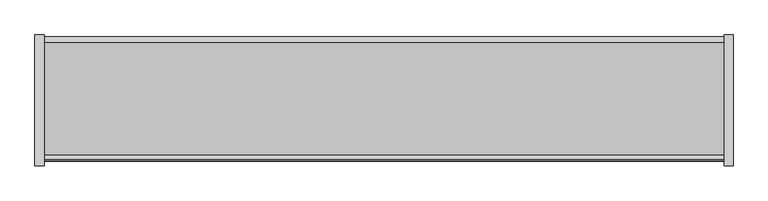
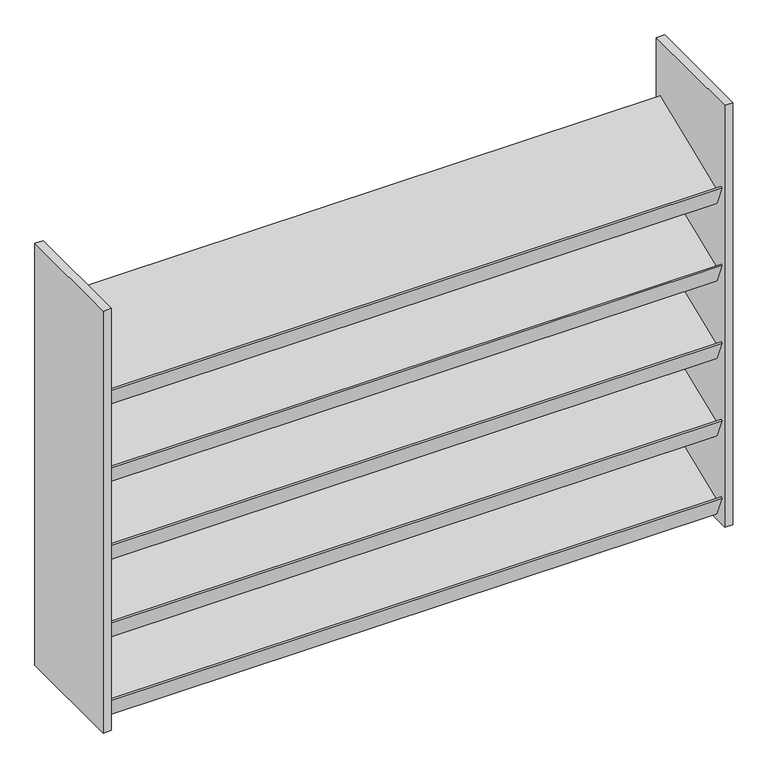
"""IFC4 building model written with IfcOpenShell, lengths in millimetres: furniture geometry."""

from ifc_helpers import new_model, si_unit, frame, origin, place, context, project, spatial, polyline, outline, extrude, source, transform, mapped, element, save


def furniture_bef4b4e4(model_context):
    return source(origin(), model_context, "Body", "SweptSolid", [
        extrude(outline(polyline([(-98.425, 1657.35), (-115.2836902, 1699.0767226), (-112.3398815, 1700.2660985), (-104.9961987, 1682.0898458), (92.2389867, 1761.7780334), (101.7539942, 1738.2275635), (-98.425, 1657.35)])), frame((-593.725, 0.0, 0.0), z_axis=(1.0, 0.0, 0.0), x_axis=(0.0, 1.0, 0.0)), (0.0, 0.0, 1.0), 1187.45),
        extrude(outline(polyline([(-98.425, 1816.1), (-115.2836902, 1857.8267226), (-112.3398815, 1859.0160985), (-104.9961987, 1840.8398458), (92.2389867, 1920.5280334), (101.7539942, 1896.9775635), (-98.425, 1816.1)])), frame((-593.725, 0.0, 0.0), z_axis=(1.0, 0.0, 0.0), x_axis=(0.0, 1.0, 0.0)), (0.0, 0.0, 1.0), 1187.45),
        extrude(outline(polyline([(-98.425, 1498.6), (-115.2836902, 1540.3267226), (-112.3398815, 1541.5160985), (-104.9961987, 1523.3398458), (92.2389867, 1603.0280334), (101.7539942, 1579.4775635), (-98.425, 1498.6)])), frame((-593.725, 0.0, 0.0), z_axis=(1.0, 0.0, 0.0), x_axis=(0.0, 1.0, 0.0)), (0.0, 0.0, 1.0), 1187.45),
        extrude(outline(polyline([(-98.425, 1339.85), (-115.2836902, 1381.5767226), (-112.3398815, 1382.7660985), (-104.9961987, 1364.5898458), (92.2389867, 1444.2780334), (101.7539942, 1420.7275635), (-98.425, 1339.85)])), frame((-593.725, 0.0, 0.0), z_axis=(1.0, 0.0, 0.0), x_axis=(0.0, 1.0, 0.0)), (0.0, 0.0, 1.0), 1187.45),
        extrude(outline(polyline([(-98.425, 1181.1), (-115.2836902, 1222.8267226), (-112.3398815, 1224.0160985), (-104.9961987, 1205.8398458), (92.2389867, 1285.5280334), (101.7539942, 1261.9775635), (-98.425, 1181.1)])), frame((-593.725, 0.0, 0.0), z_axis=(1.0, 0.0, 0.0), x_axis=(0.0, 1.0, 0.0)), (0.0, 0.0, 1.0), 1187.45),
        extrude(outline(polyline([(-593.725, 104.775), (-593.725, -123.825), (-609.6, -123.825), (-609.6, 104.775), (-593.725, 104.775)])), frame((0.0, 0.0, 1168.4), z_axis=(0.0, 0.0, 1.0), x_axis=(1.0, 0.0, 0.0)), (0.0, 0.0, 1.0), 863.6),
        extrude(outline(polyline([(609.6, 104.775), (609.6, -123.825), (593.725, -123.825), (593.725, 104.775), (609.6, 104.775)])), frame((0.0, 0.0, 1168.4), z_axis=(0.0, 0.0, 1.0), x_axis=(1.0, 0.0, 0.0)), (0.0, 0.0, 1.0), 863.6),
    ])


if __name__ == "__main__":
    model = new_model("IFC4")
    model_context = context("Model", 3, world=origin())
    ifc_project = project(units=[si_unit("LENGTHUNIT", "METRE", prefix="MILLI")], contexts=[model_context])
    site = spatial("IfcSite", under=ifc_project)
    building = spatial("IfcBuilding", under=site)
    placement = place(None, origin())
    furniture_shape = furniture_bef4b4e4(model_context)
    element("IfcFurniture", 1, at=placement, inside=building, context=model_context, shape_type="MappedRepresentation", body=[
        mapped(furniture_shape, transform((0.0, 0.0, 0.0), x_axis=(1.0, 0.0, 0.0), y_axis=(0.0, 1.0, 0.0), z_axis=(0.0, 0.0, 1.0))),
    ])
    save(model, "model.ifc")
